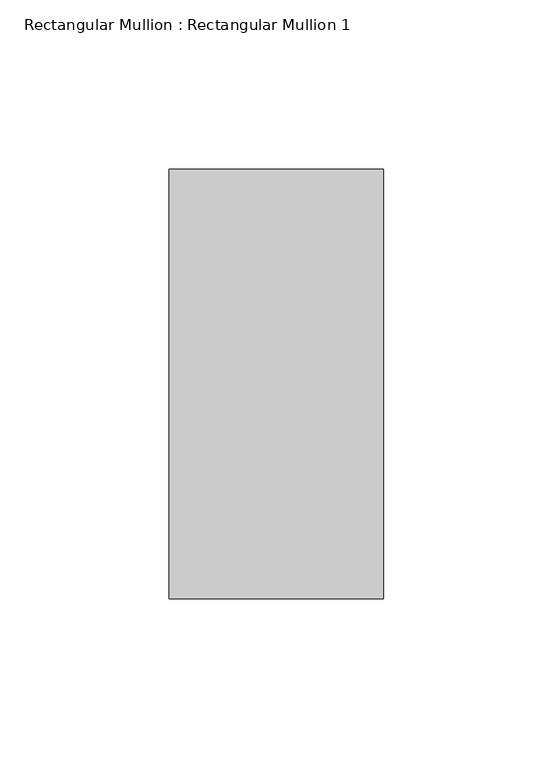
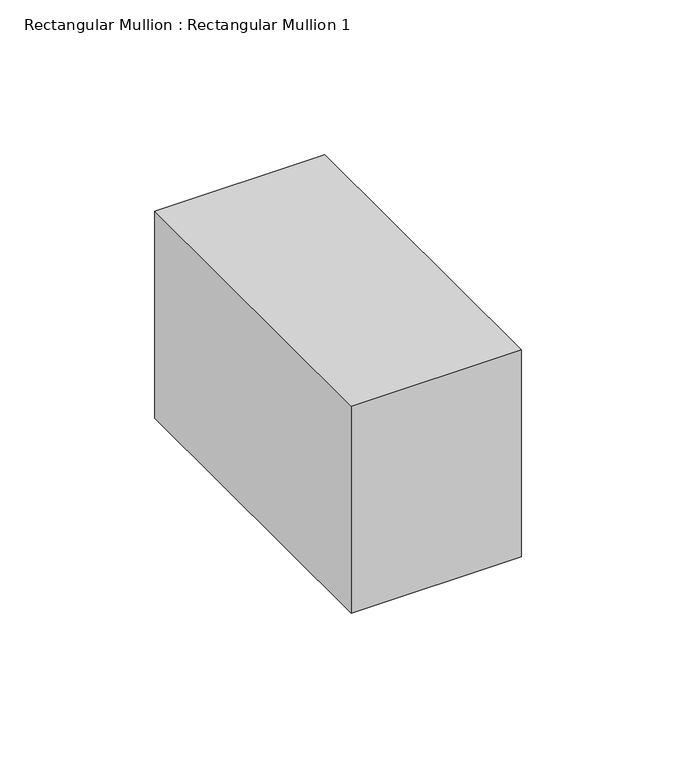
"""IFC4 building model written with IfcOpenShell, lengths in millimetres: member geometry, Rectangular Mullion : Rectangular Mullion 1."""

from ifc_helpers import new_model, si_unit, frame, origin, place, context, project, spatial, polyline, outline, extrude, source, transform, mapped, element, save


def rectangular_mullion_rectangular_mullion_1_e1e176e8(model_context):
    return source(origin(), model_context, "Body", "SweptSolid", [
        extrude(outline(polyline([(31.75, 63.5), (31.75, -63.5), (-31.75, -63.5), (-31.75, 63.5), (31.75, 63.5)])), frame((0.0, 0.0, -81.75), z_axis=(0.0, 0.0, 1.0), x_axis=(1.0, 0.0, 0.0)), (0.0, 0.0, 1.0), 81.75),
    ])


if __name__ == "__main__":
    model = new_model("IFC4")
    model_context = context("Model", 3, world=origin())
    ifc_project = project(units=[si_unit("LENGTHUNIT", "METRE", prefix="MILLI")], contexts=[model_context])
    site = spatial("IfcSite", under=ifc_project)
    building = spatial("IfcBuilding", under=site)
    placement = place(None, origin())
    rectangular_mullion_rectangular_mullion_1_shape = rectangular_mullion_rectangular_mullion_1_e1e176e8(model_context)
    element("IfcMember", 1, ObjectType="Rectangular Mullion : Rectangular Mullion 1", at=placement, inside=building, context=model_context, shape_type="MappedRepresentation", body=[
        mapped(rectangular_mullion_rectangular_mullion_1_shape, transform((0.0, 0.0, 0.0), x_axis=(1.0, 0.0, 0.0), y_axis=(0.0, 1.0, 0.0), z_axis=(0.0, 0.0, 1.0))),
    ])
    save(model, "model.ifc")
